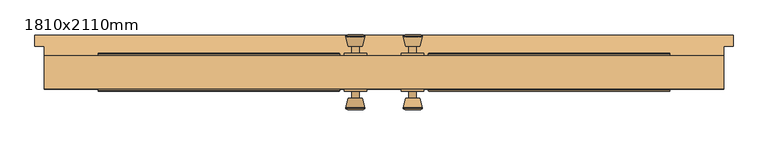
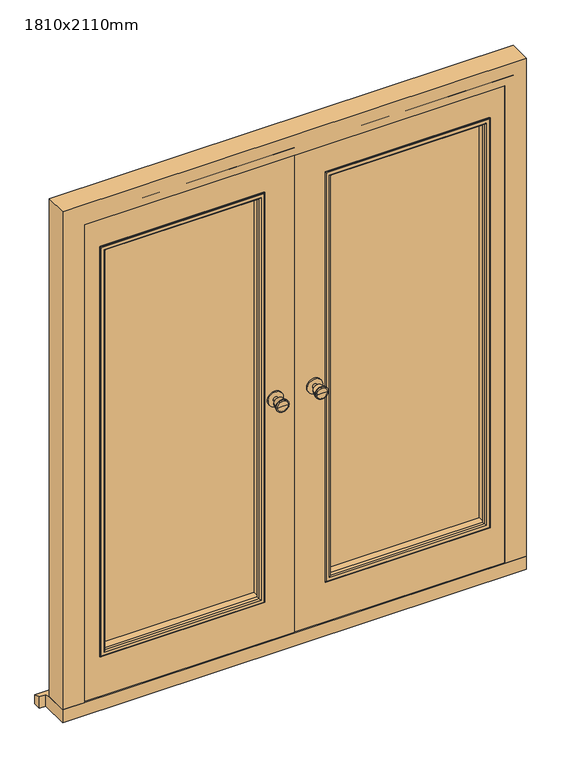
"""IFC4 building model written with IfcOpenShell, lengths in millimetres: door geometry, 1810x2110mm."""

from ifc_helpers import new_model, si_unit, point, frame, frame_2d, origin, place, context, project, spatial, polyline, circle_curve, ellipse_curve, trimmed, segment, composite_curve, outline, extrude, faceted_brep, source, transform, mapped, element, save
from ifc_brep_helpers import plane_surface, cylinder_surface, revolved_surface, advanced_brep


def door_1810x2110mm_b96334ca(model_context):
    return source(origin(), model_context, "Body", "SolidModel", [
        advanced_brep(
        [(-76.5, 56.2125, 1050.0), (-66.5, 56.2125, 1050.0), (-86.5, 56.2125, 1050.0), (-96.9758676, 7.2125, 1050.0), (-56.0241324, 7.2125, 1050.0), (-76.5, 7.2125, 1050.0), (-101.5, 9.0403681, 1050.0), (-51.5, 9.0403681, 1050.0), (-101.5, 12.5040463, 1050.0), (-51.5, 12.5040463, 1050.0), (-95.136236, 37.2125, 1050.0), (-57.863764, 37.2125, 1050.0), (-86.5, 37.2125, 1050.0), (-66.5, 37.2125, 1050.0)],
        [
            (0, 1),
            (1, 2, circle_curve(frame((-76.5, 56.2125, 1050.0), z_axis=(0.0, 1.0, 0.0), x_axis=(1.0, 0.0, 0.0)), 10.0)),
            (2, 0),
            (2, 1, circle_curve(frame((-76.5, 56.2125, 1050.0), z_axis=(0.0, 1.0, 0.0), x_axis=(1.0, 0.0, 0.0)), 10.0)),
            (3, 4, circle_curve(frame((-76.5, 7.2125, 1050.0), z_axis=(0.0, -1.0, 0.0), x_axis=(1.0, 0.0, 0.0)), 20.4758676)),
            (4, 5),
            (5, 3),
            (4, 3, circle_curve(frame((-76.5, 7.2125, 1050.0), z_axis=(0.0, -1.0, 0.0), x_axis=(1.0, 0.0, 0.0)), 20.4758676)),
            (6, 7, circle_curve(frame((-76.5, 9.0403681, 1050.0), z_axis=(0.0, -1.0, 0.0), x_axis=(1.0, 0.0, 0.0)), 25.0)),
            (7, 4),
            (3, 6),
            (7, 6, circle_curve(frame((-76.5, 9.0403681, 1050.0), z_axis=(0.0, -1.0, 0.0), x_axis=(1.0, 0.0, 0.0)), 25.0)),
            (8, 9, circle_curve(frame((-76.5, 12.5040463, 1050.0), z_axis=(0.0, -1.0, 0.0), x_axis=(1.0, 0.0, 0.0)), 25.0)),
            (9, 7),
            (6, 8),
            (9, 8, circle_curve(frame((-76.5, 12.5040463, 1050.0), z_axis=(0.0, -1.0, 0.0), x_axis=(1.0, 0.0, 0.0)), 25.0)),
            (10, 11, circle_curve(frame((-76.5, 37.2125, 1050.0), z_axis=(0.0, -1.0, 0.0), x_axis=(1.0, 0.0, 0.0)), 18.636236)),
            (11, 9),
            (8, 10),
            (11, 10, circle_curve(frame((-76.5, 37.2125, 1050.0), z_axis=(0.0, -1.0, 0.0), x_axis=(1.0, 0.0, 0.0)), 18.636236)),
            (12, 13, circle_curve(frame((-76.5, 37.2125, 1050.0), z_axis=(0.0, -1.0, 0.0), x_axis=(1.0, 0.0, 0.0)), 10.0)),
            (13, 11),
            (10, 12),
            (13, 12, circle_curve(frame((-76.5, 37.2125, 1050.0), z_axis=(0.0, -1.0, 0.0), x_axis=(1.0, 0.0, 0.0)), 10.0)),
            (1, 13),
            (12, 2),
        ],
        [
            plane_surface(frame((-76.5, 56.2125, 1050.0), z_axis=(0.0, 1.0, 0.0), x_axis=(1.0, 0.0, 0.0))),
            plane_surface(frame((-76.5, 7.2125, 1050.0), z_axis=(0.0, -1.0, 0.0), x_axis=(1.0, 0.0, 0.0))),
            revolved_surface(polyline([(-56.0241324, 7.2125, 1050.0), (-51.5, 9.0403681, 1050.0)]), (-76.5, 56.2125, 1050.0), (0.0, 1.0, 0.0)),
            cylinder_surface(frame((-76.5, 56.2125, 1050.0), z_axis=(0.0, 1.0, 0.0), x_axis=(1.0, 0.0, 0.0)), 25.0),
            revolved_surface(polyline([(-51.5, 12.5040463, 1050.0), (-57.863764, 37.2125, 1050.0)]), (-76.5, 56.2125, 1050.0), (0.0, 1.0, 0.0)),
            plane_surface(frame((-76.5, 37.2125, 1050.0), z_axis=(0.0, 1.0, 0.0), x_axis=(1.0, 0.0, 0.0))),
            cylinder_surface(frame((-76.5, 56.2125, 1050.0), z_axis=(0.0, 1.0, 0.0), x_axis=(1.0, 0.0, 0.0)), 10.0),
        ],
        [
            (0, [[1, 2, 3]]),
            (0, [[-3, 4, -1]]),
            (1, [[5, 6, 7]]),
            (1, [[8, -7, -6]]),
            (2, [[9, 10, -5, 11]]),
            (2, [[12, -11, -8, -10]]),
            (3, [[13, 14, -9, 15]]),
            (3, [[16, -15, -12, -14]]),
            (4, [[17, 18, -13, 19]]),
            (4, [[20, -19, -16, -18]]),
            (5, [[21, 22, -17, 23]]),
            (5, [[24, -23, -20, -22]]),
            (6, [[-2, 25, -21, 26]]),
            (6, [[-4, -26, -24, -25]]),
        ],
    ),
        extrude(outline(composite_curve([segment(trimmed(circle_curve(frame_2d((1050.0, -76.5)), 30.0), [point((1050.0, -46.5))], [point((1050.0, -106.5))], False, "CARTESIAN"), True, "CONTINUOUS"), segment(trimmed(circle_curve(frame_2d((1050.0, -76.5)), 30.0), [point((1050.0, -106.5))], [point((1050.0, -46.5))], False, "CARTESIAN"), True, "CONTINUOUS")], self_intersect=False)), frame((0.0, 56.2125, 0.0), z_axis=(0.0, 1.0, 0.0), x_axis=(0.0, 0.0, 1.0)), (0.0, 0.0, 1.0), 6.0),
        advanced_brep(
        [(76.5, 56.2125, 1050.0), (86.5, 56.2125, 1050.0), (66.5, 56.2125, 1050.0), (96.9758676, 7.2125, 1050.0), (76.5, 7.2125, 1050.0), (56.0241324, 7.2125, 1050.0), (101.5, 9.0403681, 1050.0), (51.5, 9.0403681, 1050.0), (101.5, 12.5040463, 1050.0), (51.5, 12.5040463, 1050.0), (95.136236, 37.2125, 1050.0), (57.863764, 37.2125, 1050.0), (86.5, 37.2125, 1050.0), (66.5, 37.2125, 1050.0)],
        [
            (0, 1),
            (1, 2, circle_curve(frame((76.5, 56.2125, 1050.0), z_axis=(0.0, 1.0, 0.0), x_axis=(-1.0, 0.0, 0.0)), 10.0)),
            (2, 0),
            (2, 1, circle_curve(frame((76.5, 56.2125, 1050.0), z_axis=(0.0, 1.0, 0.0), x_axis=(-1.0, 0.0, 0.0)), 10.0)),
            (3, 4),
            (4, 5),
            (5, 3, circle_curve(frame((76.5, 7.2125, 1050.0), z_axis=(0.0, -1.0, 0.0), x_axis=(-1.0, 0.0, 0.0)), 20.4758676)),
            (3, 5, circle_curve(frame((76.5, 7.2125, 1050.0), z_axis=(0.0, -1.0, 0.0), x_axis=(-1.0, 0.0, 0.0)), 20.4758676)),
            (6, 3),
            (5, 7),
            (7, 6, circle_curve(frame((76.5, 9.0403681, 1050.0), z_axis=(0.0, -1.0, 0.0), x_axis=(-1.0, 0.0, 0.0)), 25.0)),
            (6, 7, circle_curve(frame((76.5, 9.0403681, 1050.0), z_axis=(0.0, -1.0, 0.0), x_axis=(-1.0, 0.0, 0.0)), 25.0)),
            (8, 6),
            (7, 9),
            (9, 8, circle_curve(frame((76.5, 12.5040463, 1050.0), z_axis=(0.0, -1.0, 0.0), x_axis=(-1.0, 0.0, 0.0)), 25.0)),
            (8, 9, circle_curve(frame((76.5, 12.5040463, 1050.0), z_axis=(0.0, -1.0, 0.0), x_axis=(-1.0, 0.0, 0.0)), 25.0)),
            (10, 8),
            (9, 11),
            (11, 10, circle_curve(frame((76.5, 37.2125, 1050.0), z_axis=(0.0, -1.0, 0.0), x_axis=(-1.0, 0.0, 0.0)), 18.636236)),
            (10, 11, circle_curve(frame((76.5, 37.2125, 1050.0), z_axis=(0.0, -1.0, 0.0), x_axis=(-1.0, 0.0, 0.0)), 18.636236)),
            (12, 10),
            (11, 13),
            (13, 12, circle_curve(frame((76.5, 37.2125, 1050.0), z_axis=(0.0, -1.0, 0.0), x_axis=(-1.0, 0.0, 0.0)), 10.0)),
            (12, 13, circle_curve(frame((76.5, 37.2125, 1050.0), z_axis=(0.0, -1.0, 0.0), x_axis=(-1.0, 0.0, 0.0)), 10.0)),
            (1, 12),
            (13, 2),
        ],
        [
            plane_surface(frame((76.5, 56.2125, 1050.0), z_axis=(0.0, 1.0, 0.0), x_axis=(-1.0, 0.0, 0.0))),
            plane_surface(frame((76.5, 7.2125, 1050.0), z_axis=(0.0, -1.0, 0.0), x_axis=(-1.0, 0.0, 0.0))),
            revolved_surface(polyline([(56.0241324, 7.2125, 1050.0), (51.5, 9.0403681, 1050.0)]), (76.5, 56.2125, 1050.0), (0.0, 1.0, 0.0)),
            cylinder_surface(frame((76.5, 56.2125, 1050.0), z_axis=(0.0, 1.0, 0.0), x_axis=(-1.0, 0.0, 0.0)), 25.0),
            revolved_surface(polyline([(51.5, 12.5040463, 1050.0), (57.863764, 37.2125, 1050.0)]), (76.5, 56.2125, 1050.0), (0.0, 1.0, 0.0)),
            plane_surface(frame((76.5, 37.2125, 1050.0), z_axis=(0.0, 1.0, 0.0), x_axis=(-1.0, 0.0, 0.0))),
            cylinder_surface(frame((76.5, 56.2125, 1050.0), z_axis=(0.0, 1.0, 0.0), x_axis=(-1.0, 0.0, 0.0)), 10.0),
        ],
        [
            (0, [[1, 2, 3]]),
            (0, [[-3, 4, -1]]),
            (1, [[5, 6, 7]]),
            (1, [[-6, -5, 8]]),
            (2, [[9, -7, 10, 11]]),
            (2, [[-10, -8, -9, 12]]),
            (3, [[13, -11, 14, 15]]),
            (3, [[-14, -12, -13, 16]]),
            (4, [[17, -15, 18, 19]]),
            (4, [[-18, -16, -17, 20]]),
            (5, [[21, -19, 22, 23]]),
            (5, [[-22, -20, -21, 24]]),
            (6, [[25, -23, 26, -2]]),
            (6, [[-26, -24, -25, -4]]),
        ],
    ),
        extrude(outline(composite_curve([segment(trimmed(circle_curve(frame_2d((1050.0, 76.5)), 30.0), [point((1050.0, 46.5))], [point((1050.0, 106.5))], False, "CARTESIAN"), True, "CONTINUOUS"), segment(trimmed(circle_curve(frame_2d((1050.0, 76.5)), 30.0), [point((1050.0, 106.5))], [point((1050.0, 46.5))], False, "CARTESIAN"), True, "CONTINUOUS")], self_intersect=False)), frame((0.0, 56.2125, 0.0), z_axis=(0.0, 1.0, 0.0), x_axis=(0.0, 0.0, 1.0)), (0.0, 0.0, 1.0), 6.0),
        advanced_brep(
        [(-76.5, 157.2125, 1050.0), (-86.5, 157.2125, 1050.0), (-66.5, 157.2125, 1050.0), (-96.9758676, 206.2125, 1050.0), (-76.5, 206.2125, 1050.0), (-56.0241324, 206.2125, 1050.0), (-101.5, 204.3846319, 1050.0), (-51.5, 204.3846319, 1050.0), (-101.5, 200.9209537, 1050.0), (-51.5, 200.9209537, 1050.0), (-95.136236, 176.2125, 1050.0), (-57.863764, 176.2125, 1050.0), (-86.5, 176.2125, 1050.0), (-66.5, 176.2125, 1050.0)],
        [
            (0, 1),
            (1, 2, circle_curve(frame((-76.5, 157.2125, 1050.0), z_axis=(0.0, -1.0, 0.0), x_axis=(1.0, 0.0, 0.0)), 10.0)),
            (2, 0),
            (2, 1, circle_curve(frame((-76.5, 157.2125, 1050.0), z_axis=(0.0, -1.0, 0.0), x_axis=(1.0, 0.0, 0.0)), 10.0)),
            (3, 4),
            (4, 5),
            (5, 3, circle_curve(frame((-76.5, 206.2125, 1050.0), z_axis=(0.0, 1.0, 0.0), x_axis=(1.0, 0.0, 0.0)), 20.4758676)),
            (3, 5, circle_curve(frame((-76.5, 206.2125, 1050.0), z_axis=(0.0, 1.0, 0.0), x_axis=(1.0, 0.0, 0.0)), 20.4758676)),
            (6, 3),
            (5, 7),
            (7, 6, circle_curve(frame((-76.5, 204.3846319, 1050.0), z_axis=(0.0, 1.0, 0.0), x_axis=(1.0, 0.0, 0.0)), 25.0)),
            (6, 7, circle_curve(frame((-76.5, 204.3846319, 1050.0), z_axis=(0.0, 1.0, 0.0), x_axis=(1.0, 0.0, 0.0)), 25.0)),
            (8, 6),
            (7, 9),
            (9, 8, circle_curve(frame((-76.5, 200.9209537, 1050.0), z_axis=(0.0, 1.0, 0.0), x_axis=(1.0, 0.0, 0.0)), 25.0)),
            (8, 9, circle_curve(frame((-76.5, 200.9209537, 1050.0), z_axis=(0.0, 1.0, 0.0), x_axis=(1.0, 0.0, 0.0)), 25.0)),
            (10, 8),
            (9, 11),
            (11, 10, circle_curve(frame((-76.5, 176.2125, 1050.0), z_axis=(0.0, 1.0, 0.0), x_axis=(1.0, 0.0, 0.0)), 18.636236)),
            (10, 11, circle_curve(frame((-76.5, 176.2125, 1050.0), z_axis=(0.0, 1.0, 0.0), x_axis=(1.0, 0.0, 0.0)), 18.636236)),
            (12, 10),
            (11, 13),
            (13, 12, circle_curve(frame((-76.5, 176.2125, 1050.0), z_axis=(0.0, 1.0, 0.0), x_axis=(1.0, 0.0, 0.0)), 10.0)),
            (12, 13, circle_curve(frame((-76.5, 176.2125, 1050.0), z_axis=(0.0, 1.0, 0.0), x_axis=(1.0, 0.0, 0.0)), 10.0)),
            (1, 12),
            (13, 2),
        ],
        [
            plane_surface(frame((-76.5, 157.2125, 1050.0), z_axis=(0.0, -1.0, 0.0), x_axis=(1.0, 0.0, 0.0))),
            plane_surface(frame((-76.5, 206.2125, 1050.0), z_axis=(0.0, 1.0, 0.0), x_axis=(1.0, 0.0, 0.0))),
            revolved_surface(polyline([(-56.0241324, 206.2125, 1050.0), (-51.5, 204.3846319, 1050.0)]), (-76.5, 157.2125, 1050.0), (0.0, -1.0, 0.0)),
            cylinder_surface(frame((-76.5, 157.2125, 1050.0), z_axis=(0.0, -1.0, 0.0), x_axis=(1.0, 0.0, 0.0)), 25.0),
            revolved_surface(polyline([(-51.5, 200.9209537, 1050.0), (-57.863764, 176.2125, 1050.0)]), (-76.5, 157.2125, 1050.0), (0.0, -1.0, 0.0)),
            plane_surface(frame((-76.5, 176.2125, 1050.0), z_axis=(0.0, -1.0, 0.0), x_axis=(1.0, 0.0, 0.0))),
            cylinder_surface(frame((-76.5, 157.2125, 1050.0), z_axis=(0.0, -1.0, 0.0), x_axis=(1.0, 0.0, 0.0)), 10.0),
        ],
        [
            (0, [[1, 2, 3]]),
            (0, [[-3, 4, -1]]),
            (1, [[5, 6, 7]]),
            (1, [[-6, -5, 8]]),
            (2, [[9, -7, 10, 11]]),
            (2, [[-10, -8, -9, 12]]),
            (3, [[13, -11, 14, 15]]),
            (3, [[-14, -12, -13, 16]]),
            (4, [[17, -15, 18, 19]]),
            (4, [[-18, -16, -17, 20]]),
            (5, [[21, -19, 22, 23]]),
            (5, [[-22, -20, -21, 24]]),
            (6, [[25, -23, 26, -2]]),
            (6, [[-26, -24, -25, -4]]),
        ],
    ),
        extrude(outline(composite_curve([segment(trimmed(circle_curve(frame_2d((1050.0, -76.5)), 30.0), [point((1050.0, -46.5))], [point((1050.0, -106.5))], False, "CARTESIAN"), True, "CONTINUOUS"), segment(trimmed(circle_curve(frame_2d((1050.0, -76.5)), 30.0), [point((1050.0, -106.5))], [point((1050.0, -46.5))], False, "CARTESIAN"), True, "CONTINUOUS")], self_intersect=False)), frame((0.0, 151.2125, 0.0), z_axis=(0.0, 1.0, 0.0), x_axis=(0.0, 0.0, 1.0)), (0.0, 0.0, 1.0), 6.0),
        advanced_brep(
        [(76.5, 157.2125, 1050.0), (66.5, 157.2125, 1050.0), (86.5, 157.2125, 1050.0), (96.9758676, 206.2125, 1050.0), (56.0241324, 206.2125, 1050.0), (76.5, 206.2125, 1050.0), (101.5, 204.3846319, 1050.0), (51.5, 204.3846319, 1050.0), (101.5, 200.9209537, 1050.0), (51.5, 200.9209537, 1050.0), (95.136236, 176.2125, 1050.0), (57.863764, 176.2125, 1050.0), (86.5, 176.2125, 1050.0), (66.5, 176.2125, 1050.0)],
        [
            (0, 1),
            (1, 2, circle_curve(frame((76.5, 157.2125, 1050.0), z_axis=(0.0, -1.0, 0.0), x_axis=(-1.0, 0.0, 0.0)), 10.0)),
            (2, 0),
            (2, 1, circle_curve(frame((76.5, 157.2125, 1050.0), z_axis=(0.0, -1.0, 0.0), x_axis=(-1.0, 0.0, 0.0)), 10.0)),
            (3, 4, circle_curve(frame((76.5, 206.2125, 1050.0), z_axis=(0.0, 1.0, 0.0), x_axis=(-1.0, 0.0, 0.0)), 20.4758676)),
            (4, 5),
            (5, 3),
            (4, 3, circle_curve(frame((76.5, 206.2125, 1050.0), z_axis=(0.0, 1.0, 0.0), x_axis=(-1.0, 0.0, 0.0)), 20.4758676)),
            (6, 7, circle_curve(frame((76.5, 204.3846319, 1050.0), z_axis=(0.0, 1.0, 0.0), x_axis=(-1.0, 0.0, 0.0)), 25.0)),
            (7, 4),
            (3, 6),
            (7, 6, circle_curve(frame((76.5, 204.3846319, 1050.0), z_axis=(0.0, 1.0, 0.0), x_axis=(-1.0, 0.0, 0.0)), 25.0)),
            (8, 9, circle_curve(frame((76.5, 200.9209537, 1050.0), z_axis=(0.0, 1.0, 0.0), x_axis=(-1.0, 0.0, 0.0)), 25.0)),
            (9, 7),
            (6, 8),
            (9, 8, circle_curve(frame((76.5, 200.9209537, 1050.0), z_axis=(0.0, 1.0, 0.0), x_axis=(-1.0, 0.0, 0.0)), 25.0)),
            (10, 11, circle_curve(frame((76.5, 176.2125, 1050.0), z_axis=(0.0, 1.0, 0.0), x_axis=(-1.0, 0.0, 0.0)), 18.636236)),
            (11, 9),
            (8, 10),
            (11, 10, circle_curve(frame((76.5, 176.2125, 1050.0), z_axis=(0.0, 1.0, 0.0), x_axis=(-1.0, 0.0, 0.0)), 18.636236)),
            (12, 13, circle_curve(frame((76.5, 176.2125, 1050.0), z_axis=(0.0, 1.0, 0.0), x_axis=(-1.0, 0.0, 0.0)), 10.0)),
            (13, 11),
            (10, 12),
            (13, 12, circle_curve(frame((76.5, 176.2125, 1050.0), z_axis=(0.0, 1.0, 0.0), x_axis=(-1.0, 0.0, 0.0)), 10.0)),
            (1, 13),
            (12, 2),
        ],
        [
            plane_surface(frame((76.5, 157.2125, 1050.0), z_axis=(0.0, -1.0, 0.0), x_axis=(-1.0, 0.0, 0.0))),
            plane_surface(frame((76.5, 206.2125, 1050.0), z_axis=(0.0, 1.0, 0.0), x_axis=(-1.0, 0.0, 0.0))),
            revolved_surface(polyline([(56.0241324, 206.2125, 1050.0), (51.5, 204.3846319, 1050.0)]), (76.5, 157.2125, 1050.0), (0.0, -1.0, 0.0)),
            cylinder_surface(frame((76.5, 157.2125, 1050.0), z_axis=(0.0, -1.0, 0.0), x_axis=(-1.0, 0.0, 0.0)), 25.0),
            revolved_surface(polyline([(51.5, 200.9209537, 1050.0), (57.863764, 176.2125, 1050.0)]), (76.5, 157.2125, 1050.0), (0.0, -1.0, 0.0)),
            plane_surface(frame((76.5, 176.2125, 1050.0), z_axis=(0.0, -1.0, 0.0), x_axis=(-1.0, 0.0, 0.0))),
            cylinder_surface(frame((76.5, 157.2125, 1050.0), z_axis=(0.0, -1.0, 0.0), x_axis=(-1.0, 0.0, 0.0)), 10.0),
        ],
        [
            (0, [[1, 2, 3]]),
            (0, [[-3, 4, -1]]),
            (1, [[5, 6, 7]]),
            (1, [[8, -7, -6]]),
            (2, [[9, 10, -5, 11]]),
            (2, [[12, -11, -8, -10]]),
            (3, [[13, 14, -9, 15]]),
            (3, [[16, -15, -12, -14]]),
            (4, [[17, 18, -13, 19]]),
            (4, [[20, -19, -16, -18]]),
            (5, [[21, 22, -17, 23]]),
            (5, [[24, -23, -20, -22]]),
            (6, [[-2, 25, -21, 26]]),
            (6, [[-4, -26, -24, -25]]),
        ],
    ),
        extrude(outline(composite_curve([segment(trimmed(circle_curve(frame_2d((1050.0, 76.5)), 30.0), [point((1050.0, 46.5))], [point((1050.0, 106.5))], False, "CARTESIAN"), True, "CONTINUOUS"), segment(trimmed(circle_curve(frame_2d((1050.0, 76.5)), 30.0), [point((1050.0, 106.5))], [point((1050.0, 46.5))], False, "CARTESIAN"), True, "CONTINUOUS")], self_intersect=False)), frame((0.0, 151.2125, 0.0), z_axis=(0.0, 1.0, 0.0), x_axis=(0.0, 0.0, 1.0)), (0.0, 0.0, 1.0), 6.0),
        faceted_brep([(905.0, 62.2125, 54.5), (821.0, 62.2125, 54.5), (821.0, 109.2125, 54.5), (863.0, 109.2125, 54.5), (863.0, 151.2125, 54.5), (905.0, 151.2125, 54.5), (905.0, 62.2125, 2110.0), (-905.0, 62.2125, 2110.0), (-905.0, 62.2125, 54.5), (-821.0, 62.2125, 54.5), (-821.0, 62.2125, 2026.0), (821.0, 62.2125, 2026.0), (821.0, 109.2125, 2026.0), (-821.0, 109.2125, 2026.0), (-821.0, 109.2125, 54.5), (-863.0, 109.2125, 54.5), (-863.0, 109.2125, 2068.0), (863.0, 109.2125, 2068.0), (863.0, 151.2125, 2068.0), (-863.0, 151.2125, 2068.0), (-863.0, 151.2125, 54.5), (-905.0, 151.2125, 54.5), (-905.0, 151.2125, 2110.0), (905.0, 151.2125, 2110.0)], [[[0, 1, 2, 3, 4, 5]], [[1, 0, 6, 7, 8, 9, 10, 11]], [[2, 1, 11, 12]], [[3, 2, 12, 13, 14, 15, 16, 17]], [[4, 3, 17, 18]], [[5, 4, 18, 19, 20, 21, 22, 23]], [[0, 5, 23, 6]], [[7, 22, 21, 8]], [[8, 21, 20, 15, 14, 9]], [[13, 10, 9, 14]], [[19, 16, 15, 20]], [[12, 11, 10, 13]], [[18, 17, 16, 19]], [[6, 23, 22, 7]]]),
        extrude(outline(polyline([(126.5, 141.2125), (751.9390207, 141.2125), (751.9390207, 117.2125), (126.5, 117.2125), (126.5, 141.2125)])), frame((0.0, 0.0, 233.5), z_axis=(0.0, 0.0, 1.0), x_axis=(1.0, 0.0, 0.0)), (0.0, 0.0, 1.0), 1675.0),
        extrude(outline(polyline([(-753.5, 141.2125), (-126.5, 141.2125), (-126.5, 117.2125), (-753.5, 117.2125), (-753.5, 141.2125)])), frame((0.0, 0.0, 233.5), z_axis=(0.0, 0.0, 1.0), x_axis=(1.0, 0.0, 0.0)), (0.0, 0.0, 1.0), 1675.0),
        faceted_brep([(930.0, 206.2125, 0.0), (930.0, 206.2125, 38.5947221), (930.0, 176.2125, 47.2703282), (930.0, 176.2125, 0.0), (-930.0, 206.2125, 38.5947221), (-930.0, 206.2125, 0.0), (-930.0, 176.2125, 0.0), (-930.0, 176.2125, 47.2703282), (905.0, 176.2125, 0.0), (905.0, 62.2125, 0.0), (-905.0, 62.2125, 0.0), (-905.0, 176.2125, 0.0), (-905.0, 176.2125, 47.2703282), (-905.0, 151.2125, 54.5), (905.0, 151.2125, 54.5), (905.0, 176.2125, 47.2703282), (-905.0, 62.2125, 54.5), (905.0, 62.2125, 54.5)], [[[0, 1, 2, 3]], [[4, 5, 6, 7]], [[5, 0, 3, 8, 9, 10, 11, 6]], [[1, 0, 5, 4]], [[1, 4, 7, 12, 13, 14, 15, 2]], [[13, 16, 17, 14]], [[16, 10, 9, 17]], [[12, 11, 10, 16, 13]], [[11, 12, 7, 6]], [[8, 15, 14, 17, 9]], [[15, 8, 3, 2]]]),
        extrude(outline(polyline([(58.5, 853.5), (2058.5, 853.5), (2058.5, 1.5), (58.5, 1.5), (58.5, 853.5)]), holes=[polyline([(1908.5, 753.5), (233.5, 753.5), (233.5, 126.5), (1908.5, 126.5), (1908.5, 753.5)])]), frame((0.0, 62.2125, 0.0), z_axis=(0.0, 1.0, 0.0), x_axis=(0.0, 0.0, 1.0)), (0.0, 0.0, 1.0), 89.0),
        extrude(outline(polyline([(58.5, -853.5), (58.5, -1.5), (2058.5, -1.5), (2058.5, -853.5), (58.5, -853.5)]), holes=[polyline([(1908.5, -126.5), (233.5, -126.5), (233.5, -753.5), (1908.5, -753.5), (1908.5, -126.5)])]), frame((0.0, 62.2125, 0.0), z_axis=(0.0, 1.0, 0.0), x_axis=(0.0, 0.0, 1.0)), (0.0, 0.0, 1.0), 89.0),
        advanced_brep(
        [(126.5, 72.2125, 233.5), (126.5, 62.2125, 233.5), (126.5, 62.2125, 1908.5), (126.5, 72.2125, 1908.5), (138.5, 61.2125, 245.5), (138.5, 72.2125, 245.5), (138.5, 72.2125, 1896.5), (138.5, 61.2125, 1896.5), (133.5, 56.2125, 240.5), (133.5, 56.2125, 1901.5), (118.5, 58.2125, 225.5), (120.5, 56.2125, 227.5), (120.5, 56.2125, 1914.5), (118.5, 58.2125, 1916.5), (118.5, 62.2125, 225.5), (118.5, 62.2125, 1916.5), (753.5, 62.2125, 1908.5), (753.5, 72.2125, 1908.5), (741.5, 72.2125, 1896.5), (741.5, 61.2125, 1896.5), (746.5, 56.2125, 1901.5), (759.5, 56.2125, 1914.5), (761.5, 58.2125, 1916.5), (761.5, 62.2125, 1916.5), (753.5, 62.2125, 233.5), (753.5, 72.2125, 233.5), (741.5, 72.2125, 245.5), (741.5, 61.2125, 245.5), (746.5, 56.2125, 240.5), (759.5, 56.2125, 227.5), (761.5, 58.2125, 225.5), (761.5, 62.2125, 225.5)],
        [
            (0, 1),
            (1, 2),
            (2, 3),
            (3, 0),
            (4, 5),
            (5, 6),
            (6, 7),
            (7, 4),
            (8, 4, ellipse_curve(frame((133.5, 61.2125, 240.5), z_axis=(-0.7071067811865478, 0.0, 0.7071067811865474), x_axis=(-0.7071067811865474, 0.0, -0.7071067811865476)), 7.0710678, 5.0)),
            (7, 9, ellipse_curve(frame((133.5, 61.2125, 1901.5), z_axis=(-0.7071067811865474, 0.0, -0.7071067811865477), x_axis=(0.7071067811865478, 0.0, -0.7071067811865474)), 7.0710678, 5.0)),
            (9, 8),
            (10, 11, ellipse_curve(frame((120.5, 58.2125, 227.5), z_axis=(-0.7071067811865478, 0.0, 0.7071067811865474), x_axis=(-0.7071067811865474, 0.0, -0.7071067811865476)), 2.8284271, 2.0)),
            (11, 12),
            (12, 13, ellipse_curve(frame((120.5, 58.2125, 1914.5), z_axis=(-0.7071067811865474, 0.0, -0.7071067811865477), x_axis=(0.7071067811865478, 0.0, -0.7071067811865474)), 2.8284271, 2.0)),
            (13, 10),
            (14, 10),
            (13, 15),
            (15, 14),
            (2, 16),
            (16, 17),
            (17, 3),
            (6, 18),
            (18, 19),
            (19, 7),
            (19, 20, ellipse_curve(frame((746.5, 61.2125, 1901.5), z_axis=(-0.7071067811865478, 0.0, 0.7071067811865474), x_axis=(-0.7071067811865471, 0.0, -0.7071067811865479)), 7.0710678, 5.0)),
            (20, 9),
            (12, 21),
            (21, 22, ellipse_curve(frame((759.5, 58.2125, 1914.5), z_axis=(-0.7071067811865478, 0.0, 0.7071067811865474), x_axis=(-0.7071067811865471, 0.0, -0.7071067811865479)), 2.8284271, 2.0)),
            (22, 13),
            (22, 23),
            (23, 15),
            (16, 24),
            (24, 25),
            (25, 17),
            (18, 26),
            (26, 27),
            (27, 19),
            (27, 28, ellipse_curve(frame((746.5, 61.2125, 240.5), z_axis=(0.7071067811865472, 0.0, 0.7071067811865477), x_axis=(-0.7071067811865476, 0.0, 0.7071067811865475)), 7.0710678, 5.0)),
            (28, 20),
            (21, 29),
            (29, 30, ellipse_curve(frame((759.5, 58.2125, 227.5), z_axis=(0.7071067811865472, 0.0, 0.7071067811865477), x_axis=(-0.7071067811865476, 0.0, 0.7071067811865475)), 2.8284271, 2.0)),
            (30, 22),
            (30, 31),
            (31, 23),
            (31, 14),
            (1, 24),
            (0, 25),
            (5, 26),
            (4, 27),
            (8, 28),
            (11, 29),
            (10, 30),
        ],
        [
            plane_surface(frame((126.5, 62.2125, 233.5), z_axis=(-1.0, 0.0, 0.0), x_axis=(0.0, 0.0, 1.0))),
            plane_surface(frame((138.5, 72.2125, 245.5), z_axis=(1.0, 0.0, 0.0), x_axis=(0.0, 0.0, 1.0))),
            cylinder_surface(frame((133.5, 61.2125, 233.5), z_axis=(0.0, 0.0, -1.0), x_axis=(-1.0, 0.0, 0.0)), 5.0),
            cylinder_surface(frame((120.5, 58.2125, 233.5), z_axis=(0.0, 0.0, -1.0), x_axis=(-1.0, 0.0, 0.0)), 2.0),
            plane_surface(frame((118.5, 58.2125, 225.5), z_axis=(-1.0, 0.0, 0.0), x_axis=(0.0, 0.0, 1.0))),
            plane_surface(frame((126.5, 62.2125, 1908.5), z_axis=(0.0, 0.0, 1.0), x_axis=(1.0, 0.0, 0.0))),
            plane_surface(frame((138.5, 72.2125, 1896.5), z_axis=(0.0, 0.0, -1.0), x_axis=(1.0, 0.0, 0.0))),
            cylinder_surface(frame((126.5, 61.2125, 1901.5), z_axis=(-1.0, 0.0, 0.0), x_axis=(0.0, 0.0, 1.0)), 5.0),
            cylinder_surface(frame((126.5, 58.2125, 1914.5), z_axis=(-1.0, 0.0, 0.0), x_axis=(0.0, 0.0, 1.0)), 2.0),
            plane_surface(frame((118.5, 58.2125, 1916.5), z_axis=(0.0, 0.0, 1.0), x_axis=(1.0, 0.0, 0.0))),
            plane_surface(frame((753.5, 62.2125, 1908.5), z_axis=(1.0, 0.0, 0.0), x_axis=(0.0, 0.0, -1.0))),
            plane_surface(frame((741.5, 72.2125, 1896.5), z_axis=(-1.0, 0.0, 0.0), x_axis=(0.0, 0.0, -1.0))),
            cylinder_surface(frame((746.5, 61.2125, 1908.5), z_axis=(0.0, 0.0, 1.0), x_axis=(1.0, 0.0, 0.0)), 5.0),
            cylinder_surface(frame((759.5, 58.2125, 1908.5), z_axis=(0.0, 0.0, 1.0), x_axis=(1.0, 0.0, 0.0)), 2.0),
            plane_surface(frame((761.5, 58.2125, 1916.5), z_axis=(1.0, 0.0, 0.0), x_axis=(0.0, 0.0, -1.0))),
            plane_surface(frame((761.5, 62.2125, 225.5), z_axis=(0.0, 1.0, 0.0), x_axis=(-1.0, 0.0, 0.0))),
            plane_surface(frame((753.5, 62.2125, 233.5), z_axis=(0.0, 0.0, -1.0), x_axis=(-1.0, 0.0, 0.0))),
            plane_surface(frame((753.5, 72.2125, 233.5), z_axis=(0.0, 1.0, 0.0), x_axis=(-1.0, 0.0, 0.0))),
            plane_surface(frame((741.5, 72.2125, 245.5), z_axis=(0.0, 0.0, 1.0), x_axis=(-1.0, 0.0, 0.0))),
            cylinder_surface(frame((753.5, 61.2125, 240.5), z_axis=(1.0, 0.0, 0.0), x_axis=(0.0, 0.0, -1.0)), 5.0),
            plane_surface(frame((746.5, 56.2125, 240.5), z_axis=(0.0, -1.0, 0.0), x_axis=(-1.0, 0.0, 0.0))),
            cylinder_surface(frame((753.5, 58.2125, 227.5), z_axis=(1.0, 0.0, 0.0), x_axis=(0.0, 0.0, -1.0)), 2.0),
            plane_surface(frame((761.5, 58.2125, 225.5), z_axis=(0.0, 0.0, -1.0), x_axis=(-1.0, 0.0, 0.0))),
        ],
        [
            (0, [[1, 2, 3, 4]]),
            (1, [[5, 6, 7, 8]]),
            (2, [[9, -8, 10, 11]]),
            (3, [[12, 13, 14, 15]]),
            (4, [[16, -15, 17, 18]]),
            (5, [[-3, 19, 20, 21]]),
            (6, [[-7, 22, 23, 24]]),
            (7, [[-10, -24, 25, 26]]),
            (8, [[-14, 27, 28, 29]]),
            (9, [[-17, -29, 30, 31]]),
            (10, [[-20, 32, 33, 34]]),
            (11, [[-23, 35, 36, 37]]),
            (12, [[-25, -37, 38, 39]]),
            (13, [[-28, 40, 41, 42]]),
            (14, [[-30, -42, 43, 44]]),
            (15, [[-31, -44, 45, -18], [46, -32, -19, -2]]),
            (16, [[-33, -46, -1, 47]]),
            (17, [[-21, -34, -47, -4], [48, -35, -22, -6]]),
            (18, [[-36, -48, -5, 49]]),
            (19, [[-38, -49, -9, 50]]),
            (20, [[51, -40, -27, -13], [-26, -39, -50, -11]]),
            (21, [[-41, -51, -12, 52]]),
            (22, [[-43, -52, -16, -45]]),
        ],
    ),
        advanced_brep(
        [(-118.5, 58.2125, 225.5), (-118.5, 62.2125, 225.5), (-118.5, 62.2125, 1916.5), (-118.5, 58.2125, 1916.5), (-120.5, 56.2125, 227.5), (-120.5, 56.2125, 1914.5), (-138.5, 61.2125, 245.5), (-133.5, 56.2125, 240.5), (-133.5, 56.2125, 1901.5), (-138.5, 61.2125, 1896.5), (-138.5, 72.2125, 245.5), (-138.5, 72.2125, 1896.5), (-126.5, 62.2125, 233.5), (-126.5, 72.2125, 233.5), (-126.5, 72.2125, 1908.5), (-126.5, 62.2125, 1908.5), (-761.5, 62.2125, 1916.5), (-761.5, 58.2125, 1916.5), (-759.5, 56.2125, 1914.5), (-746.5, 56.2125, 1901.5), (-741.5, 61.2125, 1896.5), (-741.5, 72.2125, 1896.5), (-753.5, 72.2125, 1908.5), (-753.5, 62.2125, 1908.5), (-761.5, 62.2125, 225.5), (-761.5, 58.2125, 225.5), (-759.5, 56.2125, 227.5), (-746.5, 56.2125, 240.5), (-741.5, 61.2125, 245.5), (-741.5, 72.2125, 245.5), (-753.5, 72.2125, 233.5), (-753.5, 62.2125, 233.5)],
        [
            (0, 1),
            (1, 2),
            (2, 3),
            (3, 0),
            (4, 0, ellipse_curve(frame((-120.5, 58.2125, 227.5), z_axis=(0.7071067811865475, 0.0, 0.7071067811865475), x_axis=(0.7071067811865474, 0.0, -0.7071067811865476)), 2.8284271, 2.0)),
            (3, 5, ellipse_curve(frame((-120.5, 58.2125, 1914.5), z_axis=(0.7071067811865475, 0.0, -0.7071067811865475), x_axis=(-0.7071067811865474, 0.0, -0.7071067811865476)), 2.8284271, 2.0)),
            (5, 4),
            (6, 7, ellipse_curve(frame((-133.5, 61.2125, 240.5), z_axis=(0.7071067811865475, 0.0, 0.7071067811865475), x_axis=(0.7071067811865474, 0.0, -0.7071067811865476)), 7.0710678, 5.0)),
            (7, 8),
            (8, 9, ellipse_curve(frame((-133.5, 61.2125, 1901.5), z_axis=(0.7071067811865475, 0.0, -0.7071067811865475), x_axis=(-0.7071067811865474, 0.0, -0.7071067811865476)), 7.0710678, 5.0)),
            (9, 6),
            (10, 6),
            (9, 11),
            (11, 10),
            (12, 13),
            (13, 14),
            (14, 15),
            (15, 12),
            (2, 16),
            (16, 17),
            (17, 3),
            (17, 18, ellipse_curve(frame((-759.5, 58.2125, 1914.5), z_axis=(0.7071067811865475, 0.0, 0.7071067811865475), x_axis=(0.7071067811865476, 0.0, -0.7071067811865474)), 2.8284271, 2.0)),
            (18, 5),
            (8, 19),
            (19, 20, ellipse_curve(frame((-746.5, 61.2125, 1901.5), z_axis=(0.7071067811865475, 0.0, 0.7071067811865475), x_axis=(0.7071067811865476, 0.0, -0.7071067811865474)), 7.0710678, 5.0)),
            (20, 9),
            (20, 21),
            (21, 11),
            (14, 22),
            (22, 23),
            (23, 15),
            (16, 24),
            (24, 25),
            (25, 17),
            (25, 26, ellipse_curve(frame((-759.5, 58.2125, 227.5), z_axis=(-0.7071067811865475, 0.0, 0.7071067811865475), x_axis=(0.7071067811865474, 0.0, 0.7071067811865476)), 2.8284271, 2.0)),
            (26, 18),
            (19, 27),
            (27, 28, ellipse_curve(frame((-746.5, 61.2125, 240.5), z_axis=(-0.7071067811865475, 0.0, 0.7071067811865475), x_axis=(0.7071067811865474, 0.0, 0.7071067811865476)), 7.0710678, 5.0)),
            (28, 20),
            (28, 29),
            (29, 21),
            (22, 30),
            (30, 31),
            (31, 23),
            (24, 1),
            (0, 25),
            (4, 26),
            (7, 27),
            (6, 28),
            (10, 29),
            (13, 30),
            (12, 31),
        ],
        [
            plane_surface(frame((-118.5, 62.2125, 225.5), z_axis=(1.0, 0.0, 0.0), x_axis=(0.0, 0.0, 1.0))),
            cylinder_surface(frame((-120.5, 58.2125, 233.5), z_axis=(0.0, 0.0, -1.0), x_axis=(1.0, 0.0, 0.0)), 2.0),
            cylinder_surface(frame((-133.5, 61.2125, 233.5), z_axis=(0.0, 0.0, -1.0), x_axis=(1.0, 0.0, 0.0)), 5.0),
            plane_surface(frame((-138.5, 61.2125, 245.5), z_axis=(-1.0, 0.0, 0.0), x_axis=(0.0, 0.0, 1.0))),
            plane_surface(frame((-126.5, 72.2125, 233.5), z_axis=(1.0, 0.0, 0.0), x_axis=(0.0, 0.0, 1.0))),
            plane_surface(frame((-118.5, 62.2125, 1916.5), z_axis=(0.0, 0.0, 1.0), x_axis=(-1.0, 0.0, 0.0))),
            cylinder_surface(frame((-126.5, 58.2125, 1914.5), z_axis=(1.0, 0.0, 0.0), x_axis=(0.0, 0.0, 1.0)), 2.0),
            cylinder_surface(frame((-126.5, 61.2125, 1901.5), z_axis=(1.0, 0.0, 0.0), x_axis=(0.0, 0.0, 1.0)), 5.0),
            plane_surface(frame((-138.5, 61.2125, 1896.5), z_axis=(0.0, 0.0, -1.0), x_axis=(-1.0, 0.0, 0.0))),
            plane_surface(frame((-126.5, 72.2125, 1908.5), z_axis=(0.0, 0.0, 1.0), x_axis=(-1.0, 0.0, 0.0))),
            plane_surface(frame((-761.5, 62.2125, 1916.5), z_axis=(-1.0, 0.0, 0.0), x_axis=(0.0, 0.0, -1.0))),
            cylinder_surface(frame((-759.5, 58.2125, 1908.5), z_axis=(0.0, 0.0, 1.0), x_axis=(-1.0, 0.0, 0.0)), 2.0),
            cylinder_surface(frame((-746.5, 61.2125, 1908.5), z_axis=(0.0, 0.0, 1.0), x_axis=(-1.0, 0.0, 0.0)), 5.0),
            plane_surface(frame((-741.5, 61.2125, 1896.5), z_axis=(1.0, 0.0, 0.0), x_axis=(0.0, 0.0, -1.0))),
            plane_surface(frame((-753.5, 72.2125, 1908.5), z_axis=(-1.0, 0.0, 0.0), x_axis=(0.0, 0.0, -1.0))),
            plane_surface(frame((-761.5, 62.2125, 225.5), z_axis=(0.0, 0.0, -1.0), x_axis=(1.0, 0.0, 0.0))),
            cylinder_surface(frame((-753.5, 58.2125, 227.5), z_axis=(-1.0, 0.0, 0.0), x_axis=(0.0, 0.0, -1.0)), 2.0),
            plane_surface(frame((-759.5, 56.2125, 227.5), z_axis=(0.0, -1.0, 0.0), x_axis=(1.0, 0.0, 0.0))),
            cylinder_surface(frame((-753.5, 61.2125, 240.5), z_axis=(-1.0, 0.0, 0.0), x_axis=(0.0, 0.0, -1.0)), 5.0),
            plane_surface(frame((-741.5, 61.2125, 245.5), z_axis=(0.0, 0.0, 1.0), x_axis=(1.0, 0.0, 0.0))),
            plane_surface(frame((-741.5, 72.2125, 245.5), z_axis=(0.0, 1.0, 0.0), x_axis=(1.0, 0.0, 0.0))),
            plane_surface(frame((-753.5, 72.2125, 233.5), z_axis=(0.0, 0.0, -1.0), x_axis=(1.0, 0.0, 0.0))),
            plane_surface(frame((-753.5, 62.2125, 233.5), z_axis=(0.0, 1.0, 0.0), x_axis=(1.0, 0.0, 0.0))),
        ],
        [
            (0, [[1, 2, 3, 4]]),
            (1, [[5, -4, 6, 7]]),
            (2, [[8, 9, 10, 11]]),
            (3, [[12, -11, 13, 14]]),
            (4, [[15, 16, 17, 18]]),
            (5, [[-3, 19, 20, 21]]),
            (6, [[-6, -21, 22, 23]]),
            (7, [[-10, 24, 25, 26]]),
            (8, [[-13, -26, 27, 28]]),
            (9, [[-17, 29, 30, 31]]),
            (10, [[-20, 32, 33, 34]]),
            (11, [[-22, -34, 35, 36]]),
            (12, [[-25, 37, 38, 39]]),
            (13, [[-27, -39, 40, 41]]),
            (14, [[-30, 42, 43, 44]]),
            (15, [[-33, 45, -1, 46]]),
            (16, [[-35, -46, -5, 47]]),
            (17, [[-23, -36, -47, -7], [48, -37, -24, -9]]),
            (18, [[-38, -48, -8, 49]]),
            (19, [[-40, -49, -12, 50]]),
            (20, [[51, -42, -29, -16], [-28, -41, -50, -14]]),
            (21, [[-43, -51, -15, 52]]),
            (22, [[-45, -32, -19, -2], [-31, -44, -52, -18]]),
        ],
    ),
        advanced_brep(
        [(-761.5, 155.2125, 225.5), (-761.5, 151.2125, 225.5), (-761.5, 151.2125, 1916.5), (-761.5, 155.2125, 1916.5), (-759.5, 157.2125, 227.5), (-759.5, 157.2125, 1914.5), (-741.5, 152.2125, 245.5), (-746.5, 157.2125, 240.5), (-746.5, 157.2125, 1901.5), (-741.5, 152.2125, 1896.5), (-741.5, 141.2125, 245.5), (-741.5, 141.2125, 1896.5), (-753.5, 151.2125, 233.5), (-753.5, 141.2125, 233.5), (-753.5, 141.2125, 1908.5), (-753.5, 151.2125, 1908.5), (-118.5, 151.2125, 1916.5), (-118.5, 155.2125, 1916.5), (-120.5, 157.2125, 1914.5), (-133.5, 157.2125, 1901.5), (-138.5, 152.2125, 1896.5), (-138.5, 141.2125, 1896.5), (-126.5, 141.2125, 1908.5), (-126.5, 151.2125, 1908.5), (-118.5, 151.2125, 225.5), (-118.5, 155.2125, 225.5), (-120.5, 157.2125, 227.5), (-133.5, 157.2125, 240.5), (-138.5, 152.2125, 245.5), (-138.5, 141.2125, 245.5), (-126.5, 141.2125, 233.5), (-126.5, 151.2125, 233.5)],
        [
            (0, 1),
            (1, 2),
            (2, 3),
            (3, 0),
            (4, 0, ellipse_curve(frame((-759.5, 155.2125, 227.5), z_axis=(-0.7071067811865475, 0.0, 0.7071067811865476), x_axis=(-0.7071067811865475, 0.0, -0.7071067811865476)), 2.8284271, 2.0)),
            (3, 5, ellipse_curve(frame((-759.5, 155.2125, 1914.5), z_axis=(-0.7071067811865475, 0.0, -0.7071067811865475), x_axis=(0.7071067811865475, 0.0, -0.7071067811865476)), 2.8284271, 2.0)),
            (5, 4),
            (6, 7, ellipse_curve(frame((-746.5, 152.2125, 240.5), z_axis=(-0.7071067811865475, 0.0, 0.7071067811865476), x_axis=(-0.7071067811865475, 0.0, -0.7071067811865476)), 7.0710678, 5.0)),
            (7, 8),
            (8, 9, ellipse_curve(frame((-746.5, 152.2125, 1901.5), z_axis=(-0.7071067811865475, 0.0, -0.7071067811865475), x_axis=(0.7071067811865475, 0.0, -0.7071067811865476)), 7.0710678, 5.0)),
            (9, 6),
            (10, 6),
            (9, 11),
            (11, 10),
            (12, 13),
            (13, 14),
            (14, 15),
            (15, 12),
            (2, 16),
            (16, 17),
            (17, 3),
            (17, 18, ellipse_curve(frame((-120.5, 155.2125, 1914.5), z_axis=(-0.7071067811865475, 0.0, 0.7071067811865475), x_axis=(-0.7071067811865478, 0.0, -0.7071067811865474)), 2.8284271, 2.0)),
            (18, 5),
            (8, 19),
            (19, 20, ellipse_curve(frame((-133.5, 152.2125, 1901.5), z_axis=(-0.7071067811865475, 0.0, 0.7071067811865475), x_axis=(-0.7071067811865478, 0.0, -0.7071067811865474)), 7.0710678, 5.0)),
            (20, 9),
            (20, 21),
            (21, 11),
            (14, 22),
            (22, 23),
            (23, 15),
            (16, 24),
            (24, 25),
            (25, 17),
            (25, 26, ellipse_curve(frame((-120.5, 155.2125, 227.5), z_axis=(0.7071067811865476, 0.0, 0.7071067811865475), x_axis=(-0.7071067811865475, 0.0, 0.7071067811865476)), 2.8284271, 2.0)),
            (26, 18),
            (19, 27),
            (27, 28, ellipse_curve(frame((-133.5, 152.2125, 240.5), z_axis=(0.7071067811865476, 0.0, 0.7071067811865475), x_axis=(-0.7071067811865475, 0.0, 0.7071067811865476)), 7.0710678, 5.0)),
            (28, 20),
            (28, 29),
            (29, 21),
            (22, 30),
            (30, 31),
            (31, 23),
            (24, 1),
            (0, 25),
            (4, 26),
            (7, 27),
            (6, 28),
            (10, 29),
            (13, 30),
            (12, 31),
        ],
        [
            plane_surface(frame((-761.5, 151.2125, 225.5), z_axis=(-1.0, 0.0, 0.0), x_axis=(0.0, 0.0, 1.0))),
            cylinder_surface(frame((-759.5, 155.2125, 233.5), z_axis=(0.0, 0.0, -1.0), x_axis=(-1.0, 0.0, 0.0)), 2.0),
            cylinder_surface(frame((-746.5, 152.2125, 233.5), z_axis=(0.0, 0.0, -1.0), x_axis=(-1.0, 0.0, 0.0)), 5.0),
            plane_surface(frame((-741.5, 152.2125, 245.5), z_axis=(1.0, 0.0, 0.0), x_axis=(0.0, 0.0, 1.0))),
            plane_surface(frame((-753.5, 141.2125, 233.5), z_axis=(-1.0, 0.0, 0.0), x_axis=(0.0, 0.0, 1.0))),
            plane_surface(frame((-761.5, 151.2125, 1916.5), z_axis=(0.0, 0.0, 1.0), x_axis=(1.0, 0.0, 0.0))),
            cylinder_surface(frame((-753.5, 155.2125, 1914.5), z_axis=(-1.0, 0.0, 0.0), x_axis=(0.0, 0.0, 1.0)), 2.0),
            cylinder_surface(frame((-753.5, 152.2125, 1901.5), z_axis=(-1.0, 0.0, 0.0), x_axis=(0.0, 0.0, 1.0)), 5.0),
            plane_surface(frame((-741.5, 152.2125, 1896.5), z_axis=(0.0, 0.0, -1.0), x_axis=(1.0, 0.0, 0.0))),
            plane_surface(frame((-753.5, 141.2125, 1908.5), z_axis=(0.0, 0.0, 1.0), x_axis=(1.0, 0.0, 0.0))),
            plane_surface(frame((-118.5, 151.2125, 1916.5), z_axis=(1.0, 0.0, 0.0), x_axis=(0.0, 0.0, -1.0))),
            cylinder_surface(frame((-120.5, 155.2125, 1908.5), z_axis=(0.0, 0.0, 1.0), x_axis=(1.0, 0.0, 0.0)), 2.0),
            cylinder_surface(frame((-133.5, 152.2125, 1908.5), z_axis=(0.0, 0.0, 1.0), x_axis=(1.0, 0.0, 0.0)), 5.0),
            plane_surface(frame((-138.5, 152.2125, 1896.5), z_axis=(-1.0, 0.0, 0.0), x_axis=(0.0, 0.0, -1.0))),
            plane_surface(frame((-126.5, 141.2125, 1908.5), z_axis=(1.0, 0.0, 0.0), x_axis=(0.0, 0.0, -1.0))),
            plane_surface(frame((-118.5, 151.2125, 225.5), z_axis=(0.0, 0.0, -1.0), x_axis=(-1.0, 0.0, 0.0))),
            cylinder_surface(frame((-126.5, 155.2125, 227.5), z_axis=(1.0, 0.0, 0.0), x_axis=(0.0, 0.0, -1.0)), 2.0),
            plane_surface(frame((-120.5, 157.2125, 227.5), z_axis=(0.0, 1.0, 0.0), x_axis=(-1.0, 0.0, 0.0))),
            cylinder_surface(frame((-126.5, 152.2125, 240.5), z_axis=(1.0, 0.0, 0.0), x_axis=(0.0, 0.0, -1.0)), 5.0),
            plane_surface(frame((-138.5, 152.2125, 245.5), z_axis=(0.0, 0.0, 1.0), x_axis=(-1.0, 0.0, 0.0))),
            plane_surface(frame((-138.5, 141.2125, 245.5), z_axis=(0.0, -1.0, 0.0), x_axis=(-1.0, 0.0, 0.0))),
            plane_surface(frame((-126.5, 141.2125, 233.5), z_axis=(0.0, 0.0, -1.0), x_axis=(-1.0, 0.0, 0.0))),
            plane_surface(frame((-126.5, 151.2125, 233.5), z_axis=(0.0, -1.0, 0.0), x_axis=(-1.0, 0.0, 0.0))),
        ],
        [
            (0, [[1, 2, 3, 4]]),
            (1, [[5, -4, 6, 7]]),
            (2, [[8, 9, 10, 11]]),
            (3, [[12, -11, 13, 14]]),
            (4, [[15, 16, 17, 18]]),
            (5, [[-3, 19, 20, 21]]),
            (6, [[-6, -21, 22, 23]]),
            (7, [[-10, 24, 25, 26]]),
            (8, [[-13, -26, 27, 28]]),
            (9, [[-17, 29, 30, 31]]),
            (10, [[-20, 32, 33, 34]]),
            (11, [[-22, -34, 35, 36]]),
            (12, [[-25, 37, 38, 39]]),
            (13, [[-27, -39, 40, 41]]),
            (14, [[-30, 42, 43, 44]]),
            (15, [[-33, 45, -1, 46]]),
            (16, [[-35, -46, -5, 47]]),
            (17, [[-23, -36, -47, -7], [48, -37, -24, -9]]),
            (18, [[-38, -48, -8, 49]]),
            (19, [[-40, -49, -12, 50]]),
            (20, [[51, -42, -29, -16], [-28, -41, -50, -14]]),
            (21, [[-43, -51, -15, 52]]),
            (22, [[-45, -32, -19, -2], [-31, -44, -52, -18]]),
        ],
    ),
        advanced_brep(
        [(118.5, 155.2125, 225.5), (118.5, 151.2125, 225.5), (118.5, 151.2125, 1916.5), (118.5, 155.2125, 1916.5), (120.5, 157.2125, 227.5), (120.5, 157.2125, 1914.5), (138.5, 152.2125, 245.5), (133.5, 157.2125, 240.5), (133.5, 157.2125, 1901.5), (138.5, 152.2125, 1896.5), (138.5, 141.2125, 245.5), (138.5, 141.2125, 1896.5), (126.5, 151.2125, 233.5), (126.5, 141.2125, 233.5), (126.5, 141.2125, 1908.5), (126.5, 151.2125, 1908.5), (761.5, 151.2125, 1916.5), (761.5, 155.2125, 1916.5), (759.5, 157.2125, 1914.5), (746.5, 157.2125, 1901.5), (741.5, 152.2125, 1896.5), (741.5, 141.2125, 1896.5), (753.5, 141.2125, 1908.5), (753.5, 151.2125, 1908.5), (761.5, 151.2125, 225.5), (761.5, 155.2125, 225.5), (759.5, 157.2125, 227.5), (746.5, 157.2125, 240.5), (741.5, 152.2125, 245.5), (741.5, 141.2125, 245.5), (753.5, 141.2125, 233.5), (753.5, 151.2125, 233.5)],
        [
            (0, 1),
            (1, 2),
            (2, 3),
            (3, 0),
            (4, 0, ellipse_curve(frame((120.5, 155.2125, 227.5), z_axis=(-0.7071067811865476, 0.0, 0.7071067811865475), x_axis=(-0.7071067811865475, 0.0, -0.7071067811865476)), 2.8284271, 2.0)),
            (3, 5, ellipse_curve(frame((120.5, 155.2125, 1914.5), z_axis=(-0.7071067811865475, 0.0, -0.7071067811865476), x_axis=(0.7071067811865475, 0.0, -0.7071067811865475)), 2.8284271, 2.0)),
            (5, 4),
            (6, 7, ellipse_curve(frame((133.5, 152.2125, 240.5), z_axis=(-0.7071067811865476, 0.0, 0.7071067811865475), x_axis=(-0.7071067811865475, 0.0, -0.7071067811865476)), 7.0710678, 5.0)),
            (7, 8),
            (8, 9, ellipse_curve(frame((133.5, 152.2125, 1901.5), z_axis=(-0.7071067811865475, 0.0, -0.7071067811865476), x_axis=(0.7071067811865475, 0.0, -0.7071067811865475)), 7.0710678, 5.0)),
            (9, 6),
            (10, 6),
            (9, 11),
            (11, 10),
            (12, 13),
            (13, 14),
            (14, 15),
            (15, 12),
            (2, 16),
            (16, 17),
            (17, 3),
            (17, 18, ellipse_curve(frame((759.5, 155.2125, 1914.5), z_axis=(-0.7071067811865475, 0.0, 0.7071067811865475), x_axis=(-0.7071067811865477, 0.0, -0.7071067811865472)), 2.8284271, 2.0)),
            (18, 5),
            (8, 19),
            (19, 20, ellipse_curve(frame((746.5, 152.2125, 1901.5), z_axis=(-0.7071067811865475, 0.0, 0.7071067811865475), x_axis=(-0.7071067811865477, 0.0, -0.7071067811865472)), 7.0710678, 5.0)),
            (20, 9),
            (20, 21),
            (21, 11),
            (14, 22),
            (22, 23),
            (23, 15),
            (16, 24),
            (24, 25),
            (25, 17),
            (25, 26, ellipse_curve(frame((759.5, 155.2125, 227.5), z_axis=(0.7071067811865475, 0.0, 0.7071067811865475), x_axis=(-0.7071067811865475, 0.0, 0.7071067811865476)), 2.8284271, 2.0)),
            (26, 18),
            (19, 27),
            (27, 28, ellipse_curve(frame((746.5, 152.2125, 240.5), z_axis=(0.7071067811865475, 0.0, 0.7071067811865475), x_axis=(-0.7071067811865475, 0.0, 0.7071067811865476)), 7.0710678, 5.0)),
            (28, 20),
            (28, 29),
            (29, 21),
            (22, 30),
            (30, 31),
            (31, 23),
            (24, 1),
            (0, 25),
            (4, 26),
            (7, 27),
            (6, 28),
            (10, 29),
            (13, 30),
            (12, 31),
        ],
        [
            plane_surface(frame((118.5, 151.2125, 225.5), z_axis=(-1.0, 0.0, 0.0), x_axis=(0.0, 0.0, 1.0))),
            cylinder_surface(frame((120.5, 155.2125, 233.5), z_axis=(0.0, 0.0, -1.0), x_axis=(-1.0, 0.0, 0.0)), 2.0),
            cylinder_surface(frame((133.5, 152.2125, 233.5), z_axis=(0.0, 0.0, -1.0), x_axis=(-1.0, 0.0, 0.0)), 5.0),
            plane_surface(frame((138.5, 152.2125, 245.5), z_axis=(1.0, 0.0, 0.0), x_axis=(0.0, 0.0, 1.0))),
            plane_surface(frame((126.5, 141.2125, 233.5), z_axis=(-1.0, 0.0, 0.0), x_axis=(0.0, 0.0, 1.0))),
            plane_surface(frame((118.5, 151.2125, 1916.5), z_axis=(0.0, 0.0, 1.0), x_axis=(1.0, 0.0, 0.0))),
            cylinder_surface(frame((126.5, 155.2125, 1914.5), z_axis=(-1.0, 0.0, 0.0), x_axis=(0.0, 0.0, 1.0)), 2.0),
            cylinder_surface(frame((126.5, 152.2125, 1901.5), z_axis=(-1.0, 0.0, 0.0), x_axis=(0.0, 0.0, 1.0)), 5.0),
            plane_surface(frame((138.5, 152.2125, 1896.5), z_axis=(0.0, 0.0, -1.0), x_axis=(1.0, 0.0, 0.0))),
            plane_surface(frame((126.5, 141.2125, 1908.5), z_axis=(0.0, 0.0, 1.0), x_axis=(1.0, 0.0, 0.0))),
            plane_surface(frame((761.5, 151.2125, 1916.5), z_axis=(1.0, 0.0, 0.0), x_axis=(0.0, 0.0, -1.0))),
            cylinder_surface(frame((759.5, 155.2125, 1908.5), z_axis=(0.0, 0.0, 1.0), x_axis=(1.0, 0.0, 0.0)), 2.0),
            cylinder_surface(frame((746.5, 152.2125, 1908.5), z_axis=(0.0, 0.0, 1.0), x_axis=(1.0, 0.0, 0.0)), 5.0),
            plane_surface(frame((741.5, 152.2125, 1896.5), z_axis=(-1.0, 0.0, 0.0), x_axis=(0.0, 0.0, -1.0))),
            plane_surface(frame((753.5, 141.2125, 1908.5), z_axis=(1.0, 0.0, 0.0), x_axis=(0.0, 0.0, -1.0))),
            plane_surface(frame((761.5, 151.2125, 225.5), z_axis=(0.0, 0.0, -1.0), x_axis=(-1.0, 0.0, 0.0))),
            cylinder_surface(frame((753.5, 155.2125, 227.5), z_axis=(1.0, 0.0, 0.0), x_axis=(0.0, 0.0, -1.0)), 2.0),
            plane_surface(frame((759.5, 157.2125, 227.5), z_axis=(0.0, 1.0, 0.0), x_axis=(-1.0, 0.0, 0.0))),
            cylinder_surface(frame((753.5, 152.2125, 240.5), z_axis=(1.0, 0.0, 0.0), x_axis=(0.0, 0.0, -1.0)), 5.0),
            plane_surface(frame((741.5, 152.2125, 245.5), z_axis=(0.0, 0.0, 1.0), x_axis=(-1.0, 0.0, 0.0))),
            plane_surface(frame((741.5, 141.2125, 245.5), z_axis=(0.0, -1.0, 0.0), x_axis=(-1.0, 0.0, 0.0))),
            plane_surface(frame((753.5, 141.2125, 233.5), z_axis=(0.0, 0.0, -1.0), x_axis=(-1.0, 0.0, 0.0))),
            plane_surface(frame((753.5, 151.2125, 233.5), z_axis=(0.0, -1.0, 0.0), x_axis=(-1.0, 0.0, 0.0))),
        ],
        [
            (0, [[1, 2, 3, 4]]),
            (1, [[5, -4, 6, 7]]),
            (2, [[8, 9, 10, 11]]),
            (3, [[12, -11, 13, 14]]),
            (4, [[15, 16, 17, 18]]),
            (5, [[-3, 19, 20, 21]]),
            (6, [[-6, -21, 22, 23]]),
            (7, [[-10, 24, 25, 26]]),
            (8, [[-13, -26, 27, 28]]),
            (9, [[-17, 29, 30, 31]]),
            (10, [[-20, 32, 33, 34]]),
            (11, [[-22, -34, 35, 36]]),
            (12, [[-25, 37, 38, 39]]),
            (13, [[-27, -39, 40, 41]]),
            (14, [[-30, 42, 43, 44]]),
            (15, [[-33, 45, -1, 46]]),
            (16, [[-35, -46, -5, 47]]),
            (17, [[-23, -36, -47, -7], [48, -37, -24, -9]]),
            (18, [[-38, -48, -8, 49]]),
            (19, [[-40, -49, -12, 50]]),
            (20, [[51, -42, -29, -16], [-28, -41, -50, -14]]),
            (21, [[-43, -51, -15, 52]]),
            (22, [[-45, -32, -19, -2], [-31, -44, -52, -18]]),
        ],
    ),
    ])


if __name__ == "__main__":
    model = new_model("IFC4")
    model_context = context("Model", 3, world=origin())
    ifc_project = project(units=[si_unit("LENGTHUNIT", "METRE", prefix="MILLI")], contexts=[model_context])
    site = spatial("IfcSite", under=ifc_project)
    building = spatial("IfcBuilding", under=site)
    placement = place(None, origin())
    door_1810x2110mm_shape = door_1810x2110mm_b96334ca(model_context)
    element("IfcDoor", 1, ObjectType="1810x2110mm", at=placement, inside=building, context=model_context, shape_type="MappedRepresentation", body=[
        mapped(door_1810x2110mm_shape, transform((0.0, 0.0, 0.0), x_axis=(1.0, 0.0, 0.0), y_axis=(0.0, 1.0, 0.0), z_axis=(0.0, 0.0, 1.0))),
    ])
    save(model, "model.ifc")
